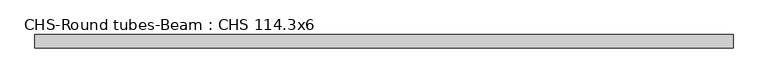
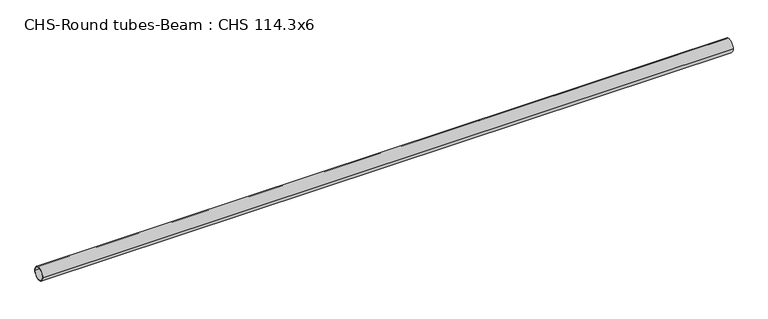
"""IFC4 building model written with IfcOpenShell, lengths in millimetres: beam geometry, CHS-Round tubes-Beam : CHS 114.3x6."""

import ifcopenshell
import ifcopenshell.guid

model = None  # the IFC model being written
_history = None  # IfcOwnerHistory: only IFC2X3 demands one
_inside = {}  # id of a spatial element -> (the spatial element, [elements in it])
_under = {}  # id of a project, library or spatial element -> (it, [spatial elements below it])
_declared = {}  # id of a project -> (the project, [libraries it declares])
_typed = {}  # id of a type object -> (the type object, [elements of that type])
_made_of = {}  # id of a material, layer set ... -> (it, [elements and type objects made of it])


def new_model(schema):
    """Start an empty IFC model of exactly this schema.

    Asked for "IFC4X3", IfcOpenShell would pick the latest addendum, in which some entities
    have other attributes; the version numbers below select the first issue.
    IFC2X3 requires an IfcOwnerHistory on every rooted entity: one is made here for all.
    """
    global model, _history
    if schema == "IFC4X3":
        model = ifcopenshell.file(schema_version=(4, 3, 0, 0))
    else:
        model = ifcopenshell.file(schema=schema)
    _inside.clear()
    _under.clear()
    _declared.clear()
    _typed.clear()
    _made_of.clear()
    _history = None
    if model.schema == "IFC2X3":
        org = make("IfcOrganization", Name="unknown")
        user = make(
            "IfcPersonAndOrganization",
            ThePerson=make("IfcPerson", FamilyName="unknown"),
            TheOrganization=org,
        )
        app = make(
            "IfcApplication",
            ApplicationDeveloper=org,
            Version="unknown",
            ApplicationFullName="unknown",
            ApplicationIdentifier="unknown",
        )
        _history = make(
            "IfcOwnerHistory",
            OwningUser=user,
            OwningApplication=app,
            ChangeAction="ADDED",
            CreationDate=0,
        )
    return model


def make(cls, **values):
    """One entity of the class cls with the attributes given. An attribute that is None is left unset."""
    return model.create_entity(
        cls, **{name: value for name, value in values.items() if value is not None}
    )


def rooted(cls, **values):
    """An entity with a GlobalId (a new one), such as an element, a storey or a relation."""
    return make(cls, GlobalId=ifcopenshell.guid.new(), OwnerHistory=_history, **values)


def si_unit(unit_type, name, prefix=None):
    """IfcSIUnit, for example si_unit("LENGTHUNIT", "METRE", prefix="MILLI")."""
    return make("IfcSIUnit", UnitType=unit_type, Prefix=prefix, Name=name)


def assignment(units):
    """IfcUnitAssignment: the units of a project."""
    return None if units is None else make("IfcUnitAssignment", Units=units)


def point(xyz):
    """IfcCartesianPoint."""
    return None if xyz is None else make("IfcCartesianPoint", Coordinates=xyz)


def direction(xyz):
    """IfcDirection."""
    return None if xyz is None else make("IfcDirection", DirectionRatios=xyz)


def frame(location, z_axis=None, x_axis=None):
    """IfcAxis2Placement3D, a coordinate frame: its origin and axes. An axis left out is left unset."""
    return make(
        "IfcAxis2Placement3D",
        Location=point(location),
        Axis=direction(z_axis),
        RefDirection=direction(x_axis),
    )


def frame_2d(location, x_axis=None):
    """IfcAxis2Placement2D, a coordinate frame in the plane: its origin and x axis."""
    return make(
        "IfcAxis2Placement2D", Location=point(location), RefDirection=direction(x_axis)
    )


def origin():
    """The frame at (0, 0, 0) with its axes left unset."""
    return frame((0.0, 0.0, 0.0))


def origin_2d():
    """The frame at (0, 0) in the plane with its x axis left unset."""
    return frame_2d((0.0, 0.0))


def place(relative_to, where):
    """IfcLocalPlacement: puts the frame where relative to a parent placement (None: the world)."""
    return make(
        "IfcLocalPlacement", PlacementRelTo=relative_to, RelativePlacement=where
    )


def context(
    kind, dimensions, precision=None, world=None, true_north=None, identifier=None
):
    """IfcGeometricRepresentationContext, for example the 3D "Model" context."""
    return make(
        "IfcGeometricRepresentationContext",
        ContextIdentifier=identifier,
        ContextType=kind,
        CoordinateSpaceDimension=dimensions,
        Precision=precision,
        WorldCoordinateSystem=world,
        TrueNorth=true_north,
    )


def project(units=None, contexts=None):
    """IfcProject with its units and contexts."""
    return rooted(
        "IfcProject",
        Name="project",
        RepresentationContexts=contexts,
        UnitsInContext=assignment(units),
    )


def spatial(cls, under=None, at=None, **own):
    """A site, building, storey or space (cls), placed at a placement, below another one or the project."""
    s = rooted(cls, ObjectPlacement=at, **own)
    if under is not None:
        _under.setdefault(under.id(), (under, []))[1].append(s)
    return s


def circle_curve(where, radius):
    """IfcCircle in the frame where."""
    return make("IfcCircle", Position=where, Radius=radius)


def trimmed(basis, trim1, trim2, sense, master):
    """IfcTrimmedCurve: the piece of a basis curve between two trims."""
    return make(
        "IfcTrimmedCurve",
        BasisCurve=basis,
        Trim1=trim1,
        Trim2=trim2,
        SenseAgreement=sense,
        MasterRepresentation=master,
    )


def segment(curve, same_sense, transition):
    """IfcCompositeCurveSegment."""
    return make(
        "IfcCompositeCurveSegment",
        Transition=transition,
        SameSense=same_sense,
        ParentCurve=curve,
    )


def composite_curve(segments, self_intersect=None):
    """IfcCompositeCurve: segments joined end to end."""
    return make("IfcCompositeCurve", Segments=segments, SelfIntersect=self_intersect)


def outline(outer, holes=None, kind="AREA"):
    """IfcArbitraryClosedProfileDef: a profile drawn as a closed curve; with holes, ...WithVoids."""
    if holes is None:
        return make("IfcArbitraryClosedProfileDef", ProfileType=kind, OuterCurve=outer)
    return make(
        "IfcArbitraryProfileDefWithVoids",
        ProfileType=kind,
        OuterCurve=outer,
        InnerCurves=holes,
    )


def extrude(swept, where, along, depth):
    """IfcExtrudedAreaSolid: the profile swept, set in the frame where, extruded along a direction by depth."""
    return make(
        "IfcExtrudedAreaSolid",
        SweptArea=swept,
        Position=where,
        ExtrudedDirection=direction(along),
        Depth=depth,
    )


def shape(context_of_items, identifier, shape_type, items):
    """IfcShapeRepresentation: the items that make up one representation, for example the "Body"."""
    return make(
        "IfcShapeRepresentation",
        ContextOfItems=context_of_items,
        RepresentationIdentifier=identifier,
        RepresentationType=shape_type,
        Items=items,
    )


def source(mapping_origin, context_of_items, identifier, shape_type, items):
    """IfcRepresentationMap: a shape defined once, which mapped items show again and again."""
    return make(
        "IfcRepresentationMap",
        MappingOrigin=mapping_origin,
        MappedRepresentation=shape(context_of_items, identifier, shape_type, items),
    )


def transform(
    local_origin,
    x_axis=None,
    y_axis=None,
    z_axis=None,
    scale=None,
    scale2=None,
    scale3=None,
    uniform=True,
):
    """IfcCartesianTransformationOperator3D, or its non-uniform kind. x_axis, y_axis, z_axis: its Axis1, 2, 3."""
    if uniform:
        return make(
            "IfcCartesianTransformationOperator3D",
            Axis1=direction(x_axis),
            Axis2=direction(y_axis),
            LocalOrigin=point(local_origin),
            Scale=scale,
            Axis3=direction(z_axis),
        )
    return make(
        "IfcCartesianTransformationOperator3DnonUniform",
        Axis1=direction(x_axis),
        Axis2=direction(y_axis),
        LocalOrigin=point(local_origin),
        Scale=scale,
        Axis3=direction(z_axis),
        Scale2=scale2,
        Scale3=scale3,
    )


def mapped(mapping_source, mapping_target):
    """IfcMappedItem: shows the shape of a source again, moved by a transform."""
    return make(
        "IfcMappedItem", MappingSource=mapping_source, MappingTarget=mapping_target
    )


def made_of(thing, what):
    """Note that an element or type object is made of a material, layer set ...; save() writes the relation."""
    if what is not None:
        _made_of.setdefault(what.id(), (what, []))[1].append(thing)
    return thing


def element(
    cls,
    number,
    at=None,
    inside=None,
    cuts=None,
    type_object=None,
    material=None,
    context=None,
    identifier="Body",
    shape_type=None,
    held_by="IfcProductDefinitionShape",
    body=None,
    shapes=None,
    **own,
):
    """One element of the class cls, such as IfcWall. Its Tag is "e" and its number.

    at: its placement. inside: the storey or other place that contains it. cuts: it is an
    opening in that element (IfcRelVoidsElement). A single representation is given by context,
    identifier, shape_type and body (its items); several are given by shapes. held_by: the class
    of the entity that holds the representations. save() writes the other relations.
    """
    e = rooted(cls, Tag="e%d" % number, ObjectPlacement=at, **own)
    if body is not None:
        shapes = [shape(context, identifier, shape_type, body)]
    if shapes is not None:
        e.Representation = make(held_by, Representations=shapes)
    if inside is not None:
        _inside.setdefault(inside.id(), (inside, []))[1].append(e)
    if cuts is not None:
        rooted(
            "IfcRelVoidsElement", RelatingBuildingElement=cuts, RelatedOpeningElement=e
        )
    if type_object is not None:
        _typed.setdefault(type_object.id(), (type_object, []))[1].append(e)
    return made_of(e, material)


def aggregate(whole, parts):
    """IfcRelAggregates: a whole, such as a stair, and the parts it consists of."""
    return rooted("IfcRelAggregates", RelatingObject=whole, RelatedObjects=parts)


def save(model, path):
    """Write the relations noted so far, then the file.

    IfcRelAggregates (storeys below a building ...), IfcRelContainedInSpatialStructure (elements
    in a storey), IfcRelDefinesByType, IfcRelAssociatesMaterial and IfcRelDeclares: one each for
    every whole, place, type object, material and project.
    """
    for whole, parts in _under.values():
        aggregate(whole, parts)
    for where, things in _inside.values():
        rooted(
            "IfcRelContainedInSpatialStructure",
            RelatedElements=things,
            RelatingStructure=where,
        )
    for kind, things in _typed.values():
        rooted("IfcRelDefinesByType", RelatedObjects=things, RelatingType=kind)
    for what, things in _made_of.values():
        rooted("IfcRelAssociatesMaterial", RelatedObjects=things, RelatingMaterial=what)
    for by, libraries in _declared.values():
        rooted("IfcRelDeclares", RelatingContext=by, RelatedDefinitions=libraries)
    model.write(path)


def chs_round_tubes_beam_chs_114_3x6_9a3e2f8a(model_context):
    return source(origin(), model_context, "Body", "SweptSolid", [
        extrude(outline(composite_curve([segment(trimmed(circle_curve(origin_2d(), 57.15), [point((57.15, 0.0))], [point((-57.15, 0.0))], False, "CARTESIAN"), True, "CONTINUOUS"), segment(trimmed(circle_curve(origin_2d(), 57.15), [point((-57.15, 0.0))], [point((57.15, 0.0))], False, "CARTESIAN"), True, "CONTINUOUS")], self_intersect=False), holes=[composite_curve([segment(trimmed(circle_curve(origin_2d(), 51.15), [point((51.15, 0.0))], [point((-51.15, 0.0))], True, "CARTESIAN"), True, "CONTINUOUS"), segment(trimmed(circle_curve(origin_2d(), 51.15), [point((-51.15, 0.0))], [point((51.15, 0.0))], True, "CARTESIAN"), True, "CONTINUOUS")], self_intersect=False)]), frame((-3153.7676834, 0.0, 0.0), z_axis=(1.0, 0.0, 0.0), x_axis=(0.0, 1.0, 0.0)), (0.0, 0.0, 1.0), 5875.9176695),
    ])


if __name__ == "__main__":
    model = new_model("IFC4")
    model_context = context("Model", 3, world=origin())
    ifc_project = project(units=[si_unit("LENGTHUNIT", "METRE", prefix="MILLI")], contexts=[model_context])
    site = spatial("IfcSite", under=ifc_project)
    building = spatial("IfcBuilding", under=site)
    placement = place(None, origin())
    chs_round_tubes_beam_chs_114_3x6_shape = chs_round_tubes_beam_chs_114_3x6_9a3e2f8a(model_context)
    element("IfcBeam", 1, ObjectType="CHS-Round tubes-Beam : CHS 114.3x6", at=placement, inside=building, context=model_context, shape_type="MappedRepresentation", body=[
        mapped(chs_round_tubes_beam_chs_114_3x6_shape, transform((0.0, 0.0, 0.0), x_axis=(1.0, 0.0, 0.0), y_axis=(0.0, 1.0, 0.0), z_axis=(0.0, 0.0, 1.0))),
    ])
    save(model, "model.ifc")
